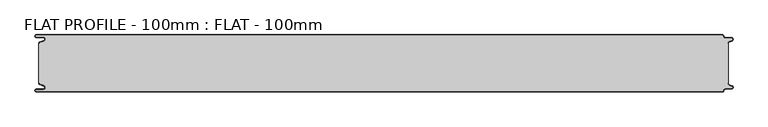
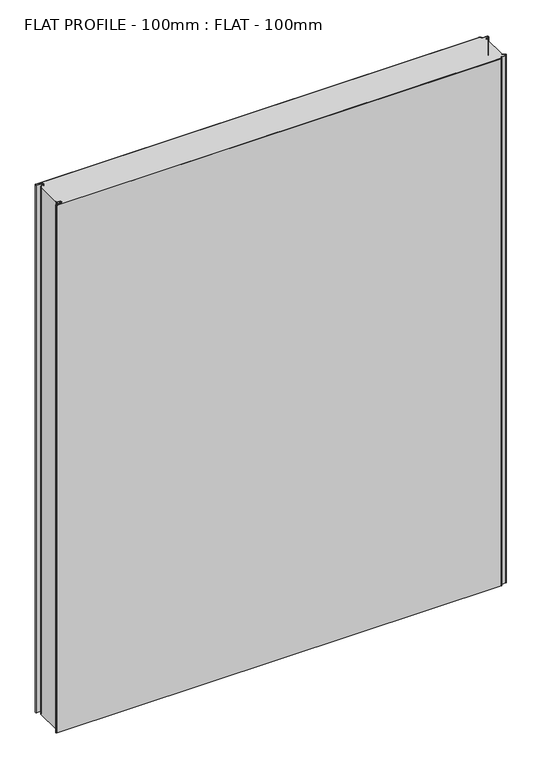
"""IFC4 building model written with IfcOpenShell, lengths in millimetres: proxy geometry, FLAT PROFILE - 100mm : FLAT - 100mm."""

from ifc_helpers import new_model, si_unit, point, frame_2d, origin, origin_with_axes, place, context, project, spatial, polyline, circle_curve, trimmed, segment, composite_curve, outline, extrude, source, transform, mapped, element, save


def flat_profile_100mm_flat_100mm_ded969b3(model_context):
    return source(origin(), model_context, "Body", "SweptSolid", [
        extrude(outline(composite_curve([segment(polyline([(-591.3794419, 36.1128969), (-589.3904999, 36.9138856), (-583.8995097, 38.9124426)]), True, "CONTINUOUS"), segment(trimmed(circle_curve(frame_2d((-585.2882153, 42.3376495)), 3.6960175), [point((-583.8995097, 38.9124426))], [point((-584.9273771, 46.0160107))], True, "CARTESIAN"), True, "CONTINUOUS"), segment(polyline([(-584.9273771, 46.0160107), (-597.3733883, 46.0160107)]), True, "CONTINUOUS"), segment(trimmed(circle_curve(frame_2d((-597.4921978, 47.511298)), 1.5), [point((-597.3733883, 46.0160107))], [point((-597.3084562, 49.0000019))], False, "CARTESIAN"), True, "CONTINUOUS"), segment(polyline([(-597.3084562, 49.0000019), (596.902372, 49.0000019)]), True, "CONTINUOUS"), segment(trimmed(circle_curve(frame_2d((596.9047345, 47.4926459)), 1.5073578), [point((596.902372, 49.0000019))], [point((598.4115951, 47.4539337))], False, "CARTESIAN"), True, "CONTINUOUS"), segment(trimmed(circle_curve(frame_2d((601.9112919, 47.5000019)), 3.5), [point((598.4115951, 47.4539337))], [point((601.9112919, 44.0000019))], True, "CARTESIAN"), True, "CONTINUOUS"), segment(polyline([(601.9112919, 44.0000019), (612.3116271, 44.0000019)]), True, "CONTINUOUS"), segment(trimmed(circle_curve(frame_2d((612.3116271, 41.9000019)), 2.1), [point((612.3116271, 44.0000019))], [point((613.0435993, 39.9316988))], False, "CARTESIAN"), True, "CONTINUOUS"), segment(polyline([(613.0435993, 39.9316988), (610.7828028, 39.1063001), (607.8546835, 37.9154156)]), True, "CONTINUOUS"), segment(trimmed(circle_curve(frame_2d((608.9399875, 35.2468953)), 2.8807786), [point((607.8546835, 37.9154156))], [point((606.0682599, 35.475074))], True, "CARTESIAN"), True, "CONTINUOUS"), segment(polyline([(606.0682599, 35.475074), (606.0107004, 34.2522232), (607.0118076, 34.2522232), (607.0118076, -34.2522195), (606.0107004, -34.2522195), (606.0682599, -35.4750703)]), True, "CONTINUOUS"), segment(trimmed(circle_curve(frame_2d((608.9399875, -35.2468916)), 2.8807786), [point((606.0682599, -35.4750703))], [point((607.8546835, -37.9154119))], True, "CARTESIAN"), True, "CONTINUOUS"), segment(polyline([(607.8546835, -37.9154119), (610.7828028, -39.1062964), (613.0435993, -39.9316951)]), True, "CONTINUOUS"), segment(trimmed(circle_curve(frame_2d((612.3116271, -41.8999981)), 2.1), [point((613.0435993, -39.9316951))], [point((612.3116271, -43.9999981))], False, "CARTESIAN"), True, "CONTINUOUS"), segment(polyline([(612.3116271, -43.9999981), (601.9112919, -43.9999981)]), True, "CONTINUOUS"), segment(trimmed(circle_curve(frame_2d((601.9112919, -47.4999981)), 3.5), [point((601.9112919, -43.9999981))], [point((598.4115951, -47.45393))], True, "CARTESIAN"), True, "CONTINUOUS"), segment(trimmed(circle_curve(frame_2d((596.9047345, -47.4926422)), 1.5073578), [point((598.4115951, -47.45393))], [point((596.902372, -48.9999981))], False, "CARTESIAN"), True, "CONTINUOUS"), segment(polyline([(596.902372, -48.9999981), (-597.3084562, -48.9999981)]), True, "CONTINUOUS"), segment(trimmed(circle_curve(frame_2d((-597.4921978, -47.5112943)), 1.5), [point((-597.3084562, -48.9999981))], [point((-597.3733883, -46.016007))], False, "CARTESIAN"), True, "CONTINUOUS"), segment(polyline([(-597.3733883, -46.016007), (-584.9273771, -46.016007)]), True, "CONTINUOUS"), segment(trimmed(circle_curve(frame_2d((-585.2882153, -42.3376458)), 3.6960175), [point((-584.9273771, -46.016007))], [point((-583.8995097, -38.9124389))], True, "CARTESIAN"), True, "CONTINUOUS"), segment(polyline([(-583.8995097, -38.9124389), (-589.3904999, -36.9138819), (-591.3794419, -36.1128932)]), True, "CONTINUOUS"), segment(trimmed(circle_curve(frame_2d((-591.0050311, -35.1831907)), 1.0022625), [point((-591.3794419, -36.1128932))], [point((-591.9881924, -35.3779319))], False, "CARTESIAN"), True, "CONTINUOUS"), segment(polyline([(-591.9881924, -35.3779319), (-591.9881924, -34.2522214), (-592.9881924, -34.2522214), (-592.9881924, 34.2522214), (-591.9881924, 34.2522214), (-591.9881924, 35.3779357)]), True, "CONTINUOUS"), segment(trimmed(circle_curve(frame_2d((-591.0050311, 35.1831944)), 1.0022625), [point((-591.9881924, 35.3779357))], [point((-591.3794419, 36.1128969))], False, "CARTESIAN"), True, "CONTINUOUS")], self_intersect=False)), origin_with_axes(), (0.0, 0.0, 1.0), 1500.0),
        extrude(outline(composite_curve([segment(trimmed(circle_curve(frame_2d((-591.0050311, 35.1831944)), 1.0022625), [point((-591.3794419, 36.1128969))], [point((-591.9881924, 35.3779357))], True, "CARTESIAN"), True, "CONTINUOUS"), segment(polyline([(-591.9881924, 35.3779357), (-591.9881924, 34.2522214), (-592.9881924, 34.2522214), (-592.9881924, 35.4591051)]), True, "CONTINUOUS"), segment(trimmed(circle_curve(frame_2d((-591.0050311, 35.1831944)), 2.0022625), [point((-592.9881924, 35.4591051))], [point((-591.7530074, 37.0405007))], False, "CARTESIAN"), True, "CONTINUOUS"), segment(polyline([(-591.7530074, 37.0405007), (-589.7483949, 37.8478003), (-584.2598383, 39.8454715)]), True, "CONTINUOUS"), segment(trimmed(circle_curve(frame_2d((-585.2882153, 42.3376495)), 2.6960175), [point((-584.2598383, 39.8454715))], [point((-584.9801705, 45.0160107))], True, "CARTESIAN"), True, "CONTINUOUS"), segment(polyline([(-584.9801705, 45.0160107), (-597.3387672, 45.0160107)]), True, "CONTINUOUS"), segment(trimmed(circle_curve(frame_2d((-597.4921978, 47.511298)), 2.5), [point((-597.3387672, 45.0160107))], [point((-597.2548091, 50.0000019))], False, "CARTESIAN"), True, "CONTINUOUS"), segment(polyline([(-597.2548091, 50.0000019), (596.9016875, 50.0000019)]), True, "CONTINUOUS"), segment(trimmed(circle_curve(frame_2d((596.9047345, 47.4926459)), 2.5073578), [point((596.9016875, 50.0000019))], [point((599.4117582, 47.4517176))], False, "CARTESIAN"), True, "CONTINUOUS"), segment(trimmed(circle_curve(frame_2d((601.9112919, 47.5000019)), 2.5), [point((599.4117582, 47.4517176))], [point((601.9112919, 45.0000019))], True, "CARTESIAN"), True, "CONTINUOUS"), segment(polyline([(601.9112919, 45.0000019), (612.3116271, 45.0000019)]), True, "CONTINUOUS"), segment(trimmed(circle_curve(frame_2d((612.3116271, 41.9000019)), 3.1), [point((612.3116271, 45.0000019))], [point((613.3890842, 38.9932707))], False, "CARTESIAN"), True, "CONTINUOUS"), segment(polyline([(613.3890842, 38.9932707), (611.1427659, 38.1731578), (608.2411829, 37.0549269)]), True, "CONTINUOUS"), segment(trimmed(circle_curve(frame_2d((609.0514567, 35.1592666)), 2.0615701), [point((608.2411829, 37.0549269))], [point((607.0118076, 35.4591051))], True, "CARTESIAN"), True, "CONTINUOUS"), segment(polyline([(607.0118076, 35.4591051), (607.0118076, 34.2522232), (606.0107004, 34.2522232), (606.0682599, 35.475074)]), True, "CONTINUOUS"), segment(trimmed(circle_curve(frame_2d((608.9399875, 35.2468953)), 2.8807786), [point((606.0682599, 35.475074))], [point((607.8546835, 37.9154156))], False, "CARTESIAN"), True, "CONTINUOUS"), segment(polyline([(607.8546835, 37.9154156), (610.7828028, 39.1063001), (613.0435993, 39.9316988)]), True, "CONTINUOUS"), segment(trimmed(circle_curve(frame_2d((612.3116271, 41.9000019)), 2.1), [point((613.0435993, 39.9316988))], [point((612.3116271, 44.0000019))], True, "CARTESIAN"), True, "CONTINUOUS"), segment(polyline([(612.3116271, 44.0000019), (601.9112919, 44.0000019)]), True, "CONTINUOUS"), segment(trimmed(circle_curve(frame_2d((601.9112919, 47.5000019)), 3.5), [point((601.9112919, 44.0000019))], [point((598.4115951, 47.4539337))], False, "CARTESIAN"), True, "CONTINUOUS"), segment(trimmed(circle_curve(frame_2d((596.9047345, 47.4926459)), 1.5073578), [point((598.4115951, 47.4539337))], [point((596.902372, 49.0000019))], True, "CARTESIAN"), True, "CONTINUOUS"), segment(polyline([(596.902372, 49.0000019), (-597.3084562, 49.0000019)]), True, "CONTINUOUS"), segment(trimmed(circle_curve(frame_2d((-597.4921978, 47.511298)), 1.5), [point((-597.3084562, 49.0000019))], [point((-597.3733883, 46.0160107))], True, "CARTESIAN"), True, "CONTINUOUS"), segment(polyline([(-597.3733883, 46.0160107), (-584.9273771, 46.0160107)]), True, "CONTINUOUS"), segment(trimmed(circle_curve(frame_2d((-585.2882153, 42.3376495)), 3.6960175), [point((-584.9273771, 46.0160107))], [point((-583.8995097, 38.9124426))], False, "CARTESIAN"), True, "CONTINUOUS"), segment(polyline([(-583.8995097, 38.9124426), (-589.3904999, 36.9138856), (-591.3794419, 36.1128969)]), True, "CONTINUOUS")], self_intersect=False)), origin_with_axes(), (0.0, 0.0, 1.0), 1500.0),
        extrude(outline(composite_curve([segment(polyline([(-591.3794419, -36.1128932), (-589.3904999, -36.9138819), (-583.8995097, -38.9124389)]), True, "CONTINUOUS"), segment(trimmed(circle_curve(frame_2d((-585.2882153, -42.3376458)), 3.6960175), [point((-583.8995097, -38.9124389))], [point((-584.9273771, -46.016007))], False, "CARTESIAN"), True, "CONTINUOUS"), segment(polyline([(-584.9273771, -46.016007), (-597.3733883, -46.016007)]), True, "CONTINUOUS"), segment(trimmed(circle_curve(frame_2d((-597.4921978, -47.5112943)), 1.5), [point((-597.3733883, -46.016007))], [point((-597.3084562, -48.9999981))], True, "CARTESIAN"), True, "CONTINUOUS"), segment(polyline([(-597.3084562, -48.9999981), (596.902372, -48.9999981)]), True, "CONTINUOUS"), segment(trimmed(circle_curve(frame_2d((596.9047345, -47.4926422)), 1.5073578), [point((596.902372, -48.9999981))], [point((598.4115951, -47.45393))], True, "CARTESIAN"), True, "CONTINUOUS"), segment(trimmed(circle_curve(frame_2d((601.9112919, -47.4999981)), 3.5), [point((598.4115951, -47.45393))], [point((601.9112919, -43.9999981))], False, "CARTESIAN"), True, "CONTINUOUS"), segment(polyline([(601.9112919, -43.9999981), (612.3116271, -43.9999981)]), True, "CONTINUOUS"), segment(trimmed(circle_curve(frame_2d((612.3116271, -41.8999981)), 2.1), [point((612.3116271, -43.9999981))], [point((613.0435993, -39.9316951))], True, "CARTESIAN"), True, "CONTINUOUS"), segment(polyline([(613.0435993, -39.9316951), (610.7828028, -39.1062964), (607.8546835, -37.9154119)]), True, "CONTINUOUS"), segment(trimmed(circle_curve(frame_2d((608.9399875, -35.2468916)), 2.8807786), [point((607.8546835, -37.9154119))], [point((606.0682599, -35.4750703))], False, "CARTESIAN"), True, "CONTINUOUS"), segment(polyline([(606.0682599, -35.4750703), (606.0107004, -34.2522195), (607.0118076, -34.2522195), (607.0118076, -35.4591014)]), True, "CONTINUOUS"), segment(trimmed(circle_curve(frame_2d((609.0514567, -35.1592629)), 2.0615701), [point((607.0118076, -35.4591014))], [point((608.2411829, -37.0549231))], True, "CARTESIAN"), True, "CONTINUOUS"), segment(polyline([(608.2411829, -37.0549231), (611.1427659, -38.1731541), (613.3890842, -38.993267)]), True, "CONTINUOUS"), segment(trimmed(circle_curve(frame_2d((612.3116271, -41.8999981)), 3.1), [point((613.3890842, -38.993267))], [point((612.3116271, -44.9999981))], False, "CARTESIAN"), True, "CONTINUOUS"), segment(polyline([(612.3116271, -44.9999981), (601.9112919, -44.9999981)]), True, "CONTINUOUS"), segment(trimmed(circle_curve(frame_2d((601.9112919, -47.4999981)), 2.5), [point((601.9112919, -44.9999981))], [point((599.4117582, -47.4517139))], True, "CARTESIAN"), True, "CONTINUOUS"), segment(trimmed(circle_curve(frame_2d((596.9047345, -47.4926422)), 2.5073578), [point((599.4117582, -47.4517139))], [point((596.9016875, -49.9999981))], False, "CARTESIAN"), True, "CONTINUOUS"), segment(polyline([(596.9016875, -49.9999981), (-597.2548091, -49.9999981)]), True, "CONTINUOUS"), segment(trimmed(circle_curve(frame_2d((-597.4921978, -47.5112943)), 2.5), [point((-597.2548091, -49.9999981))], [point((-597.3387672, -45.016007))], False, "CARTESIAN"), True, "CONTINUOUS"), segment(polyline([(-597.3387672, -45.016007), (-584.9801705, -45.016007)]), True, "CONTINUOUS"), segment(trimmed(circle_curve(frame_2d((-585.2882153, -42.3376458)), 2.6960175), [point((-584.9801705, -45.016007))], [point((-584.2598383, -39.8454678))], True, "CARTESIAN"), True, "CONTINUOUS"), segment(polyline([(-584.2598383, -39.8454678), (-589.7483949, -37.8477966), (-591.7530074, -37.040497)]), True, "CONTINUOUS"), segment(trimmed(circle_curve(frame_2d((-591.0050311, -35.1831907)), 2.0022625), [point((-591.7530074, -37.040497))], [point((-592.9881924, -35.4591014))], False, "CARTESIAN"), True, "CONTINUOUS"), segment(polyline([(-592.9881924, -35.4591014), (-592.9881924, -34.2522177), (-591.9881924, -34.2522177), (-591.9881924, -35.3779319)]), True, "CONTINUOUS"), segment(trimmed(circle_curve(frame_2d((-591.0050311, -35.1831907)), 1.0022625), [point((-591.9881924, -35.3779319))], [point((-591.3794419, -36.1128932))], True, "CARTESIAN"), True, "CONTINUOUS")], self_intersect=False)), origin_with_axes(), (0.0, 0.0, 1.0), 1500.0),
    ])


if __name__ == "__main__":
    model = new_model("IFC4")
    model_context = context("Model", 3, world=origin())
    ifc_project = project(units=[si_unit("LENGTHUNIT", "METRE", prefix="MILLI")], contexts=[model_context])
    site = spatial("IfcSite", under=ifc_project)
    building = spatial("IfcBuilding", under=site)
    placement = place(None, origin())
    flat_profile_100mm_flat_100mm_shape = flat_profile_100mm_flat_100mm_ded969b3(model_context)
    element("IfcBuildingElementProxy", 1, Name="FLAT PROFILE - 100mm : FLAT - 100mm", ObjectType="FLAT PROFILE - 100mm : FLAT - 100mm", at=placement, inside=building, context=model_context, shape_type="MappedRepresentation", body=[
        mapped(flat_profile_100mm_flat_100mm_shape, transform((0.0, 0.0, 0.0), x_axis=(1.0, 0.0, 0.0), y_axis=(0.0, 1.0, 0.0), z_axis=(0.0, 0.0, 1.0))),
    ])
    save(model, "model.ifc")
